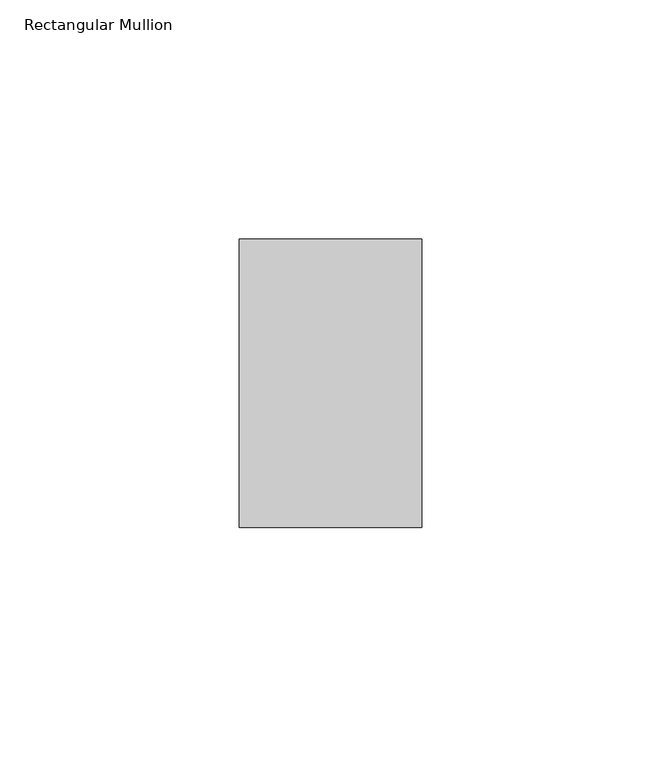
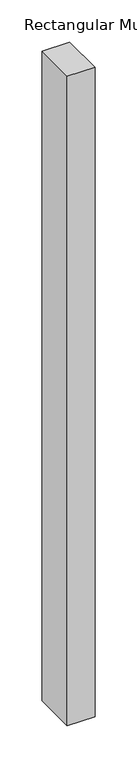
"""IFC4 building model written with IfcOpenShell, lengths in millimetres: member geometry, Rectangular Mullion."""

from ifc_helpers import new_model, si_unit, frame, origin, place, context, project, spatial, polyline, outline, extrude, source, transform, mapped, element, save


def rectangular_mullion_83bafacc(model_context):
    return source(origin(), model_context, "Body", "SweptSolid", [
        extrude(outline(polyline([(-38.1, -50.8), (-38.1, 9.525), (0.0, 9.525), (0.0, -50.8), (-38.1, -50.8)])), frame((0.0, 0.0, -942.975), z_axis=(0.0, 0.0, 1.0), x_axis=(1.0, 0.0, 0.0)), (0.0, 0.0, 1.0), 942.975),
    ])


if __name__ == "__main__":
    model = new_model("IFC4")
    model_context = context("Model", 3, world=origin())
    ifc_project = project(units=[si_unit("LENGTHUNIT", "METRE", prefix="MILLI")], contexts=[model_context])
    site = spatial("IfcSite", under=ifc_project)
    building = spatial("IfcBuilding", under=site)
    placement = place(None, origin())
    rectangular_mullion_shape = rectangular_mullion_83bafacc(model_context)
    element("IfcMember", 1, ObjectType="Rectangular Mullion", at=placement, inside=building, context=model_context, shape_type="MappedRepresentation", body=[
        mapped(rectangular_mullion_shape, transform((0.0, 0.0, 0.0), x_axis=(1.0, 0.0, 0.0), y_axis=(0.0, 1.0, 0.0), z_axis=(0.0, 0.0, 1.0))),
    ])
    save(model, "model.ifc")
